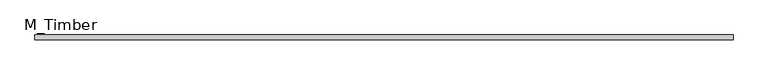
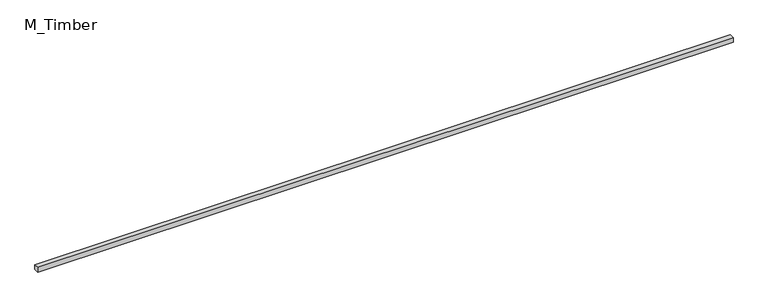
"""IFC4 building model written with IfcOpenShell, lengths in millimetres: beam geometry, M_Timber."""

from ifc_helpers import new_model, si_unit, frame, origin, place, context, project, spatial, polyline, outline, extrude, source, transform, mapped, element, save


def m_timber_675a2a6a(model_context):
    return source(origin(), model_context, "Body", "SweptSolid", [
        extrude(outline(polyline([(2867.2671512, 20.0), (2867.2671512, -20.0), (-2867.2671512, -20.0), (-2867.2671512, 20.0), (2867.2671512, 20.0)])), frame((0.0, 0.0, -20.0), z_axis=(0.0, 0.0, 1.0), x_axis=(1.0, 0.0, 0.0)), (0.0, 0.0, 1.0), 40.0),
    ])


if __name__ == "__main__":
    model = new_model("IFC4")
    model_context = context("Model", 3, world=origin())
    ifc_project = project(units=[si_unit("LENGTHUNIT", "METRE", prefix="MILLI")], contexts=[model_context])
    site = spatial("IfcSite", under=ifc_project)
    building = spatial("IfcBuilding", under=site)
    placement = place(None, origin())
    m_timber_shape = m_timber_675a2a6a(model_context)
    element("IfcBeam", 1, ObjectType="M_Timber", at=placement, inside=building, context=model_context, shape_type="MappedRepresentation", body=[
        mapped(m_timber_shape, transform((0.0, 0.0, 0.0), x_axis=(1.0, 0.0, 0.0), y_axis=(0.0, 1.0, 0.0), z_axis=(0.0, 0.0, 1.0))),
    ])
    save(model, "model.ifc")
